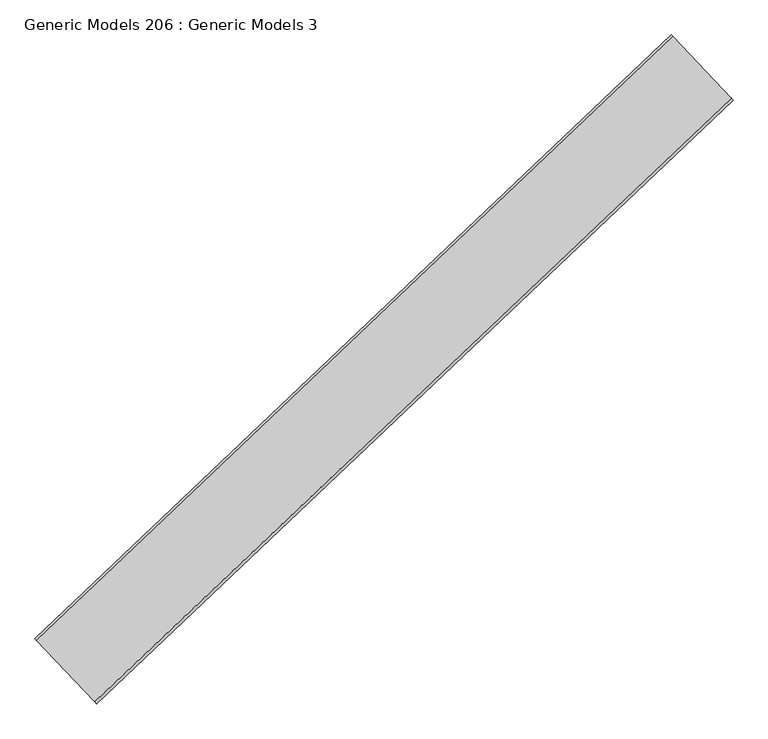
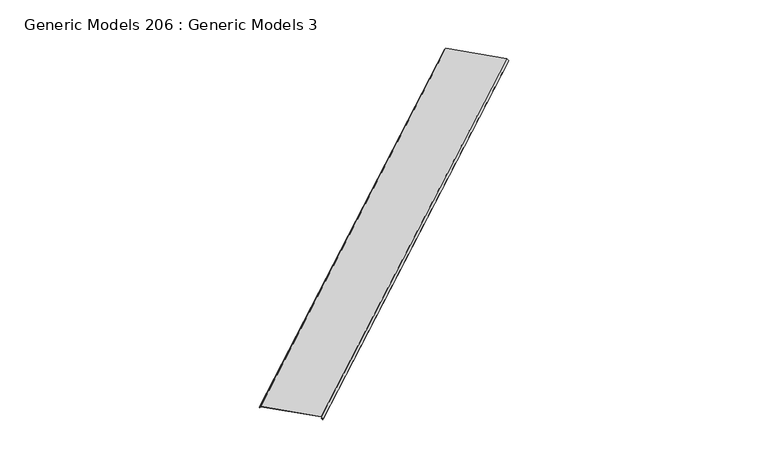
"""IFC4 building model written with IfcOpenShell, lengths in millimetres: proxy geometry, Generic Models 206 : Generic Models 3."""

from ifc_helpers import new_model, si_unit, frame, origin, place, context, project, spatial, polyline, outline, extrude, source, transform, mapped, element, save


def generic_models_206_generic_models_3_c3bf2c59(model_context):
    return source(origin(), model_context, "Body", "SweptSolid", [
        extrude(outline(polyline([(0.0, 0.0), (309.8188362, 309.8188362), (309.8188362, 328.8688362), (303.4688362, 328.8688362), (303.4688362, 317.9098994), (301.8813362, 317.9098994), (301.8813363, 330.4563362), (311.4063362, 330.4563362), (311.4063362, 309.1612721), (0.657564, -1.5875), (-13.1567068, -1.5875), (-13.156707, 0.0), (0.0, 0.0)])), frame((99806.0806517, 57253.8526398, 17673.6782666), z_axis=(0.7253743710122987, 0.6883545756937425, 0.0), x_axis=(0.48674018833397076, -0.5129171366418673, 0.7071067811863487)), (0.0, 0.0, 1.0), 4530.725),
    ])


if __name__ == "__main__":
    model = new_model("IFC4")
    model_context = context("Model", 3, world=origin())
    ifc_project = project(units=[si_unit("LENGTHUNIT", "METRE", prefix="MILLI")], contexts=[model_context])
    site = spatial("IfcSite", under=ifc_project)
    building = spatial("IfcBuilding", under=site)
    placement = place(None, origin())
    generic_models_206_generic_models_3_shape = generic_models_206_generic_models_3_c3bf2c59(model_context)
    element("IfcBuildingElementProxy", 1, Name="Generic Models 206 : Generic Models 3", ObjectType="Generic Models 206 : Generic Models 3", at=placement, inside=building, context=model_context, shape_type="MappedRepresentation", body=[
        mapped(generic_models_206_generic_models_3_shape, transform((0.0, 0.0, 0.0), x_axis=(1.0, 0.0, 0.0), y_axis=(0.0, 1.0, 0.0), z_axis=(0.0, 0.0, 1.0))),
    ])
    save(model, "model.ifc")
